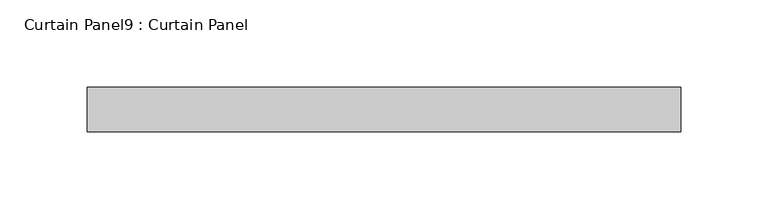
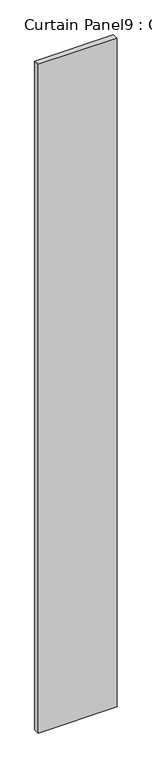
"""IFC4 building model written with IfcOpenShell, lengths in millimetres: plate geometry, Curtain Panel9 : Curtain Panel."""

from ifc_helpers import new_model, si_unit, frame, origin, place, context, project, spatial, polyline, outline, extrude, source, transform, mapped, element, save


def curtain_panel9_curtain_panel_28f1894d(model_context):
    return source(origin(), model_context, "Body", "SweptSolid", [
        extrude(outline(polyline([(-4861.9610672, 2221.5799173), (-5201.685954, 2221.5799173), (-5201.685954, 2246.9799173), (-4861.9610672, 2246.9799173), (-4861.9610672, 2221.5799173)])), frame((0.0, 0.0, -655.9548836), z_axis=(0.0, 0.0, 1.0), x_axis=(1.0, 0.0, 0.0)), (0.0, 0.0, 1.0), 3048.0),
    ])


if __name__ == "__main__":
    model = new_model("IFC4")
    model_context = context("Model", 3, world=origin())
    ifc_project = project(units=[si_unit("LENGTHUNIT", "METRE", prefix="MILLI")], contexts=[model_context])
    site = spatial("IfcSite", under=ifc_project)
    building = spatial("IfcBuilding", under=site)
    placement = place(None, origin())
    curtain_panel9_curtain_panel_shape = curtain_panel9_curtain_panel_28f1894d(model_context)
    element("IfcPlate", 1, ObjectType="Curtain Panel9 : Curtain Panel", at=placement, inside=building, context=model_context, shape_type="MappedRepresentation", body=[
        mapped(curtain_panel9_curtain_panel_shape, transform((0.0, 0.0, 0.0), x_axis=(1.0, 0.0, 0.0), y_axis=(0.0, 1.0, 0.0), z_axis=(0.0, 0.0, 1.0))),
    ])
    save(model, "model.ifc")
